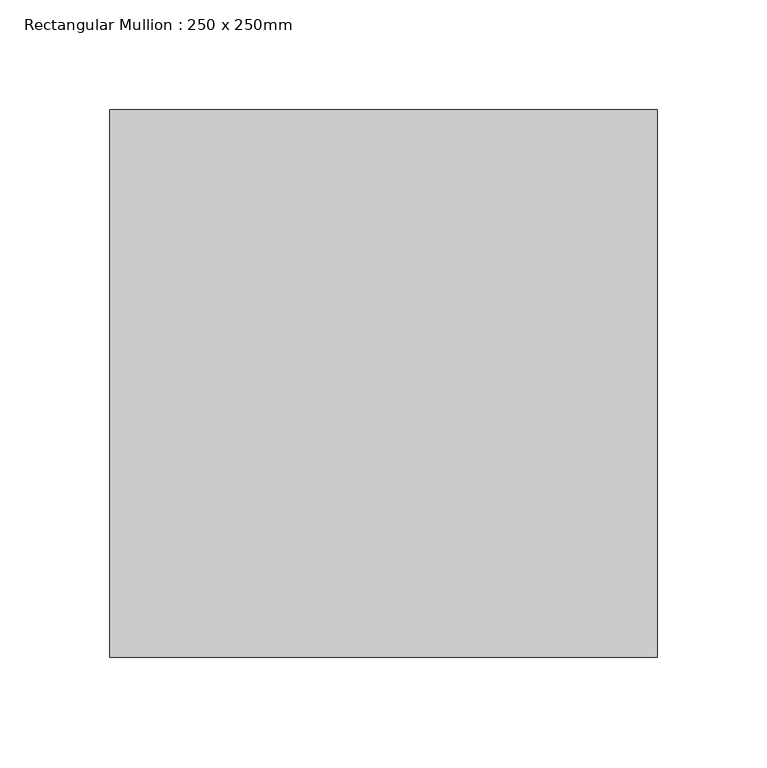
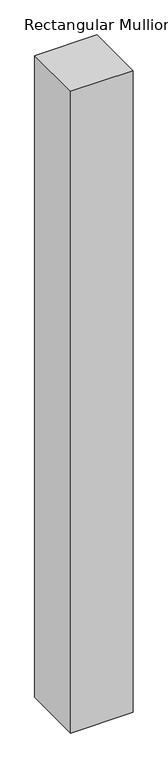
"""IFC4 building model written with IfcOpenShell, lengths in millimetres: member geometry, Rectangular Mullion : 250 x 250mm."""

from ifc_helpers import new_model, si_unit, frame, origin, place, context, project, spatial, polyline, outline, extrude, source, transform, mapped, element, save


def rectangular_mullion_250_x_250mm_ad737c19(model_context):
    return source(origin(), model_context, "Body", "SweptSolid", [
        extrude(outline(polyline([(0.0, 125.0), (0.0, -125.0), (-250.0, -125.0), (-250.0, 125.0), (0.0, 125.0)])), frame((0.0, 0.0, -2715.2000622), z_axis=(0.0, 0.0, 1.0), x_axis=(1.0, 0.0, 0.0)), (0.0, 0.0, 1.0), 2715.2000622),
    ])


if __name__ == "__main__":
    model = new_model("IFC4")
    model_context = context("Model", 3, world=origin())
    ifc_project = project(units=[si_unit("LENGTHUNIT", "METRE", prefix="MILLI")], contexts=[model_context])
    site = spatial("IfcSite", under=ifc_project)
    building = spatial("IfcBuilding", under=site)
    placement = place(None, origin())
    rectangular_mullion_250_x_250mm_shape = rectangular_mullion_250_x_250mm_ad737c19(model_context)
    element("IfcMember", 1, ObjectType="Rectangular Mullion : 250 x 250mm", at=placement, inside=building, context=model_context, shape_type="MappedRepresentation", body=[
        mapped(rectangular_mullion_250_x_250mm_shape, transform((0.0, 0.0, 0.0), x_axis=(1.0, 0.0, 0.0), y_axis=(0.0, 1.0, 0.0), z_axis=(0.0, 0.0, 1.0))),
    ])
    save(model, "model.ifc")
